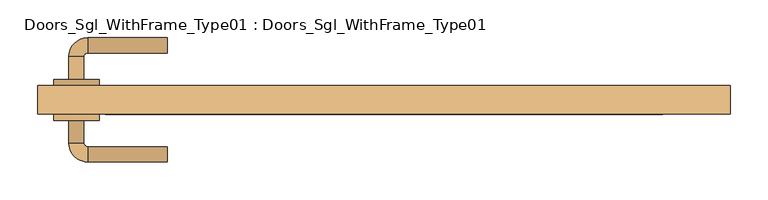
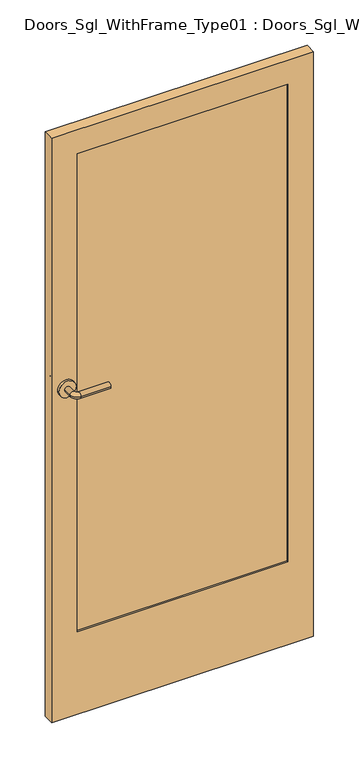
"""IFC4 building model written with IfcOpenShell, lengths in millimetres: door geometry, Doors_Sgl_WithFrame_Type01 : Doors_Sgl_WithFrame_Type01."""

from ifc_helpers import new_model, si_unit, point, frame, frame_2d, origin, place, context, project, spatial, polyline, circle_curve, ellipse_curve, trimmed, segment, composite_curve, outline, extrude, source, transform, mapped, element, save
from ifc_brep_helpers import plane_surface, cylinder_surface, revolved_surface, advanced_brep


def doors_sgl_withframe_type01_doors_sgl_withframe_type01_cd8ff263(model_context):
    return source(origin(), model_context, "Body", "SolidModel", [
        advanced_brep(
        [(-416.4, -27.05, 1219.2), (-396.4, -27.05, 1219.2), (-396.4, -57.05, 1219.2), (-416.4, -57.05, 1219.2), (-391.4, -62.05, 1219.2), (-391.4, -82.05, 1219.2), (-286.4, -82.05, 1219.2), (-286.4, -62.05, 1219.2)],
        [
            (0, 1, circle_curve(frame((-406.4, -27.05, 1219.2), z_axis=(0.0, 1.0, 0.0), x_axis=(1.0, 0.0, 0.0)), 10.0)),
            (1, 0, circle_curve(frame((-406.4, -27.05, 1219.2), z_axis=(0.0, 1.0, 0.0), x_axis=(1.0, 0.0, 0.0)), 10.0)),
            (1, 2),
            (2, 3, circle_curve(frame((-406.4, -57.05, 1219.2), z_axis=(0.0, 1.0, 0.0), x_axis=(1.0, 0.0, 0.0)), 10.0)),
            (3, 0),
            (3, 2, circle_curve(frame((-406.4, -57.05, 1219.2), z_axis=(0.0, 1.0, 0.0), x_axis=(1.0, 0.0, 0.0)), 10.0)),
            (4, 5, circle_curve(frame((-391.4, -72.05, 1219.2), z_axis=(-1.0, 0.0, 0.0), x_axis=(0.0, 1.0, 0.0)), 10.0)),
            (5, 3, circle_curve(frame((-391.4, -57.05, 1219.2), z_axis=(0.0, 0.0, -1.0), x_axis=(-1.0, 0.0, 0.0)), 25.0)),
            (2, 4, circle_curve(frame((-391.4, -57.05, 1219.2), z_axis=(0.0, 0.0, 1.0), x_axis=(-1.0, 0.0, 0.0)), 5.0)),
            (5, 4, circle_curve(frame((-391.4, -72.05, 1219.2), z_axis=(-1.0, 0.0, 0.0), x_axis=(0.0, 1.0, 0.0)), 10.0)),
            (6, 7, circle_curve(frame((-286.4, -72.05, 1219.2), z_axis=(1.0, 0.0, 0.0), x_axis=(0.0, 1.0, 0.0)), 10.0)),
            (7, 6, circle_curve(frame((-286.4, -72.05, 1219.2), z_axis=(1.0, 0.0, 0.0), x_axis=(0.0, 1.0, 0.0)), 10.0)),
            (4, 7),
            (6, 5),
        ],
        [
            plane_surface(frame((-406.4, -27.05, 1219.2), z_axis=(0.0, 1.0, 0.0), x_axis=(0.0, 0.0, 1.0))),
            cylinder_surface(frame((-406.4, -27.05, 1219.2), z_axis=(0.0, 1.0, 0.0), x_axis=(1.0, 0.0, 0.0)), 10.0),
            revolved_surface(trimmed(ellipse_curve(frame((-406.4, -57.05, 1219.2), z_axis=(0.0, -1.0, 0.0), x_axis=(1.0, 0.0, 0.0)), 10.0, 10.0), [point((-416.4, -57.05, 1219.2))], [point((-396.4, -57.05, 1219.2))], True, "CARTESIAN"), (-391.4, -57.05, 1219.2), (0.0, 0.0, -1.0)),
            revolved_surface(trimmed(ellipse_curve(frame((-406.4, -57.05, 1219.2), z_axis=(0.0, -1.0, 0.0), x_axis=(1.0, 0.0, 0.0)), 10.0, 10.0), [point((-396.4, -57.05, 1219.2))], [point((-416.4, -57.05, 1219.2))], True, "CARTESIAN"), (-391.4, -57.05, 1219.2), (0.0, 0.0, -1.0)),
            plane_surface(frame((-286.4, -72.05, 1219.2), z_axis=(1.0, 0.0, 0.0), x_axis=(0.0, 0.0, 1.0))),
            cylinder_surface(frame((-391.4, -72.05, 1219.2), z_axis=(-1.0, 0.0, 0.0), x_axis=(0.0, 1.0, 0.0)), 10.0),
        ],
        [
            (0, [[1, 2]]),
            (1, [[3, 4, 5, -2]]),
            (1, [[-5, 6, -3, -1]]),
            (2, [[7, 8, -4, 9]]),
            (3, [[10, -9, -6, -8]]),
            (4, [[11, 12]]),
            (5, [[13, -11, 14, -7]]),
            (5, [[-14, -12, -13, -10]]),
        ],
    ),
        extrude(outline(composite_curve([segment(trimmed(circle_curve(frame_2d((1219.2, -406.4)), 30.0), [point((1219.2, -436.4))], [point((1219.2, -376.4))], False, "CARTESIAN"), True, "CONTINUOUS"), segment(trimmed(circle_curve(frame_2d((1219.2, -406.4)), 30.0), [point((1219.2, -376.4))], [point((1219.2, -436.4))], False, "CARTESIAN"), True, "CONTINUOUS")], self_intersect=False)), frame((0.0, -27.05, 0.0), z_axis=(0.0, 1.0, 0.0), x_axis=(0.0, 0.0, 1.0)), (0.0, 0.0, 1.0), 8.0),
        advanced_brep(
        [(-416.4, 27.05, 1219.2), (-396.4, 27.05, 1219.2), (-416.4, 57.05, 1219.2), (-396.4, 57.05, 1219.2), (-391.4, 62.05, 1219.2), (-391.4, 82.05, 1219.2), (-286.4, 82.05, 1219.2), (-286.4, 62.05, 1219.2)],
        [
            (0, 1, circle_curve(frame((-406.4, 27.05, 1219.2), z_axis=(0.0, -1.0, 0.0), x_axis=(1.0, 0.0, 0.0)), 10.0)),
            (1, 0, circle_curve(frame((-406.4, 27.05, 1219.2), z_axis=(0.0, -1.0, 0.0), x_axis=(1.0, 0.0, 0.0)), 10.0)),
            (0, 2),
            (2, 3, circle_curve(frame((-406.4, 57.05, 1219.2), z_axis=(0.0, -1.0, 0.0), x_axis=(1.0, 0.0, 0.0)), 10.0)),
            (3, 1),
            (3, 2, circle_curve(frame((-406.4, 57.05, 1219.2), z_axis=(0.0, -1.0, 0.0), x_axis=(1.0, 0.0, 0.0)), 10.0)),
            (4, 3, circle_curve(frame((-391.4, 57.05, 1219.2), z_axis=(0.0, 0.0, 1.0), x_axis=(-1.0, 0.0, 0.0)), 5.0)),
            (2, 5, circle_curve(frame((-391.4, 57.05, 1219.2), z_axis=(0.0, 0.0, -1.0), x_axis=(-1.0, 0.0, 0.0)), 25.0)),
            (5, 4, circle_curve(frame((-391.4, 72.05, 1219.2), z_axis=(-1.0, 0.0, 0.0), x_axis=(0.0, -1.0, 0.0)), 10.0)),
            (4, 5, circle_curve(frame((-391.4, 72.05, 1219.2), z_axis=(-1.0, 0.0, 0.0), x_axis=(0.0, -1.0, 0.0)), 10.0)),
            (6, 7, circle_curve(frame((-286.4, 72.05, 1219.2), z_axis=(1.0, 0.0, 0.0), x_axis=(0.0, -1.0, 0.0)), 10.0)),
            (7, 6, circle_curve(frame((-286.4, 72.05, 1219.2), z_axis=(1.0, 0.0, 0.0), x_axis=(0.0, -1.0, 0.0)), 10.0)),
            (5, 6),
            (7, 4),
        ],
        [
            plane_surface(frame((-406.4, 27.05, 1219.2), z_axis=(0.0, -1.0, 0.0), x_axis=(0.0, 0.0, 1.0))),
            cylinder_surface(frame((-406.4, 27.05, 1219.2), z_axis=(0.0, -1.0, 0.0), x_axis=(1.0, 0.0, 0.0)), 10.0),
            revolved_surface(trimmed(ellipse_curve(frame((-406.4, 57.05, 1219.2), z_axis=(0.0, -1.0, 0.0), x_axis=(1.0, 0.0, 0.0)), 10.0, 10.0), [point((-416.4, 57.05, 1219.2))], [point((-396.4, 57.05, 1219.2))], True, "CARTESIAN"), (-391.4, 57.05, 1219.2), (0.0, 0.0, -1.0)),
            revolved_surface(trimmed(ellipse_curve(frame((-406.4, 57.05, 1219.2), z_axis=(0.0, -1.0, 0.0), x_axis=(1.0, 0.0, 0.0)), 10.0, 10.0), [point((-396.4, 57.05, 1219.2))], [point((-416.4, 57.05, 1219.2))], True, "CARTESIAN"), (-391.4, 57.05, 1219.2), (0.0, 0.0, -1.0)),
            plane_surface(frame((-286.4, 72.05, 1219.2), z_axis=(1.0, 0.0, 0.0), x_axis=(0.0, 0.0, 1.0))),
            cylinder_surface(frame((-391.4, 72.05, 1219.2), z_axis=(-1.0, 0.0, 0.0), x_axis=(0.0, -1.0, 0.0)), 10.0),
        ],
        [
            (0, [[1, 2]]),
            (1, [[-1, 3, 4, 5]]),
            (1, [[-2, -5, 6, -3]]),
            (2, [[7, -4, 8, 9]]),
            (3, [[-8, -6, -7, 10]]),
            (4, [[11, 12]]),
            (5, [[-9, 13, -12, 14]]),
            (5, [[-10, -14, -11, -13]]),
        ],
    ),
        extrude(outline(composite_curve([segment(trimmed(circle_curve(frame_2d((1219.2, -406.4)), 30.0), [point((1219.2, -436.4))], [point((1219.2, -376.4))], False, "CARTESIAN"), True, "CONTINUOUS"), segment(trimmed(circle_curve(frame_2d((1219.2, -406.4)), 30.0), [point((1219.2, -376.4))], [point((1219.2, -436.4))], False, "CARTESIAN"), True, "CONTINUOUS")], self_intersect=False)), frame((0.0, 19.05, 0.0), z_axis=(0.0, 1.0, 0.0), x_axis=(0.0, 0.0, 1.0)), (0.0, 0.0, 1.0), 8.0),
        extrude(outline(polyline([(2159.0, 457.2), (2159.0, -457.2), (0.0, -457.2), (0.0, 457.2), (2159.0, 457.2)]), holes=[polyline([(304.8, -368.3), (2070.1, -368.3), (2070.1, 368.3), (304.8, 368.3), (304.8, -368.3)])]), frame((0.0, -19.05, 0.0), z_axis=(0.0, 1.0, 0.0), x_axis=(0.0, 0.0, 1.0)), (0.0, 0.0, 1.0), 38.1),
        extrude(outline(polyline([(368.3, -12.7), (-368.3, -12.7), (-368.3, 12.7), (368.3, 12.7), (368.3, -12.7)])), frame((0.0, 0.0, 304.8), z_axis=(0.0, 0.0, 1.0), x_axis=(1.0, 0.0, 0.0)), (0.0, 0.0, 1.0), 1765.3),
    ])


if __name__ == "__main__":
    model = new_model("IFC4")
    model_context = context("Model", 3, world=origin())
    ifc_project = project(units=[si_unit("LENGTHUNIT", "METRE", prefix="MILLI")], contexts=[model_context])
    site = spatial("IfcSite", under=ifc_project)
    building = spatial("IfcBuilding", under=site)
    placement = place(None, origin())
    doors_sgl_withframe_type01_doors_sgl_withframe_type01_shape = doors_sgl_withframe_type01_doors_sgl_withframe_type01_cd8ff263(model_context)
    element("IfcDoor", 1, ObjectType="Doors_Sgl_WithFrame_Type01 : Doors_Sgl_WithFrame_Type01", at=placement, inside=building, context=model_context, shape_type="MappedRepresentation", body=[
        mapped(doors_sgl_withframe_type01_doors_sgl_withframe_type01_shape, transform((0.0, 0.0, 0.0), x_axis=(1.0, 0.0, 0.0), y_axis=(0.0, 1.0, 0.0), z_axis=(0.0, 0.0, 1.0))),
    ])
    save(model, "model.ifc")
